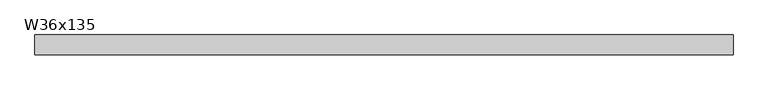
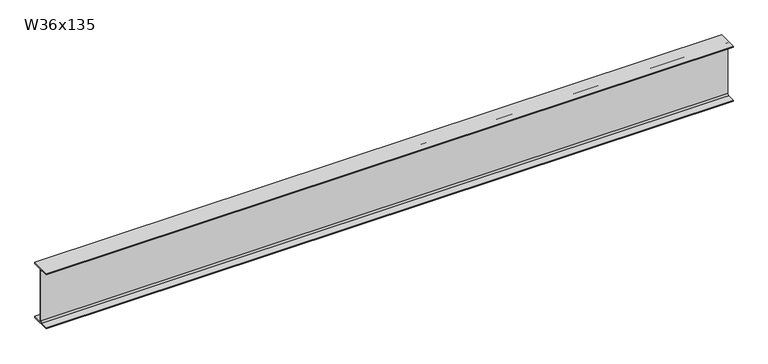
"""IFC4 building model written with IfcOpenShell, lengths in millimetres: beam geometry, W36x135."""

import ifcopenshell
import ifcopenshell.guid

model = None  # the IFC model being written
_history = None  # IfcOwnerHistory: only IFC2X3 demands one
_inside = {}  # id of a spatial element -> (the spatial element, [elements in it])
_under = {}  # id of a project, library or spatial element -> (it, [spatial elements below it])
_declared = {}  # id of a project -> (the project, [libraries it declares])
_typed = {}  # id of a type object -> (the type object, [elements of that type])
_made_of = {}  # id of a material, layer set ... -> (it, [elements and type objects made of it])


def new_model(schema):
    """Start an empty IFC model of exactly this schema.

    Asked for "IFC4X3", IfcOpenShell would pick the latest addendum, in which some entities
    have other attributes; the version numbers below select the first issue.
    IFC2X3 requires an IfcOwnerHistory on every rooted entity: one is made here for all.
    """
    global model, _history
    if schema == "IFC4X3":
        model = ifcopenshell.file(schema_version=(4, 3, 0, 0))
    else:
        model = ifcopenshell.file(schema=schema)
    _inside.clear()
    _under.clear()
    _declared.clear()
    _typed.clear()
    _made_of.clear()
    _history = None
    if model.schema == "IFC2X3":
        org = make("IfcOrganization", Name="unknown")
        user = make(
            "IfcPersonAndOrganization",
            ThePerson=make("IfcPerson", FamilyName="unknown"),
            TheOrganization=org,
        )
        app = make(
            "IfcApplication",
            ApplicationDeveloper=org,
            Version="unknown",
            ApplicationFullName="unknown",
            ApplicationIdentifier="unknown",
        )
        _history = make(
            "IfcOwnerHistory",
            OwningUser=user,
            OwningApplication=app,
            ChangeAction="ADDED",
            CreationDate=0,
        )
    return model


def make(cls, **values):
    """One entity of the class cls with the attributes given. An attribute that is None is left unset."""
    return model.create_entity(
        cls, **{name: value for name, value in values.items() if value is not None}
    )


def rooted(cls, **values):
    """An entity with a GlobalId (a new one), such as an element, a storey or a relation."""
    return make(cls, GlobalId=ifcopenshell.guid.new(), OwnerHistory=_history, **values)


def si_unit(unit_type, name, prefix=None):
    """IfcSIUnit, for example si_unit("LENGTHUNIT", "METRE", prefix="MILLI")."""
    return make("IfcSIUnit", UnitType=unit_type, Prefix=prefix, Name=name)


def assignment(units):
    """IfcUnitAssignment: the units of a project."""
    return None if units is None else make("IfcUnitAssignment", Units=units)


def point(xyz):
    """IfcCartesianPoint."""
    return None if xyz is None else make("IfcCartesianPoint", Coordinates=xyz)


def direction(xyz):
    """IfcDirection."""
    return None if xyz is None else make("IfcDirection", DirectionRatios=xyz)


def frame(location, z_axis=None, x_axis=None):
    """IfcAxis2Placement3D, a coordinate frame: its origin and axes. An axis left out is left unset."""
    return make(
        "IfcAxis2Placement3D",
        Location=point(location),
        Axis=direction(z_axis),
        RefDirection=direction(x_axis),
    )


def frame_2d(location, x_axis=None):
    """IfcAxis2Placement2D, a coordinate frame in the plane: its origin and x axis."""
    return make(
        "IfcAxis2Placement2D", Location=point(location), RefDirection=direction(x_axis)
    )


def origin():
    """The frame at (0, 0, 0) with its axes left unset."""
    return frame((0.0, 0.0, 0.0))


def place(relative_to, where):
    """IfcLocalPlacement: puts the frame where relative to a parent placement (None: the world)."""
    return make(
        "IfcLocalPlacement", PlacementRelTo=relative_to, RelativePlacement=where
    )


def context(
    kind, dimensions, precision=None, world=None, true_north=None, identifier=None
):
    """IfcGeometricRepresentationContext, for example the 3D "Model" context."""
    return make(
        "IfcGeometricRepresentationContext",
        ContextIdentifier=identifier,
        ContextType=kind,
        CoordinateSpaceDimension=dimensions,
        Precision=precision,
        WorldCoordinateSystem=world,
        TrueNorth=true_north,
    )


def project(units=None, contexts=None):
    """IfcProject with its units and contexts."""
    return rooted(
        "IfcProject",
        Name="project",
        RepresentationContexts=contexts,
        UnitsInContext=assignment(units),
    )


def spatial(cls, under=None, at=None, **own):
    """A site, building, storey or space (cls), placed at a placement, below another one or the project."""
    s = rooted(cls, ObjectPlacement=at, **own)
    if under is not None:
        _under.setdefault(under.id(), (under, []))[1].append(s)
    return s


def polyline(points):
    """IfcPolyline through the points."""
    return make("IfcPolyline", Points=[point(p) for p in points])


def circle_curve(where, radius):
    """IfcCircle in the frame where."""
    return make("IfcCircle", Position=where, Radius=radius)


def trimmed(basis, trim1, trim2, sense, master):
    """IfcTrimmedCurve: the piece of a basis curve between two trims."""
    return make(
        "IfcTrimmedCurve",
        BasisCurve=basis,
        Trim1=trim1,
        Trim2=trim2,
        SenseAgreement=sense,
        MasterRepresentation=master,
    )


def segment(curve, same_sense, transition):
    """IfcCompositeCurveSegment."""
    return make(
        "IfcCompositeCurveSegment",
        Transition=transition,
        SameSense=same_sense,
        ParentCurve=curve,
    )


def composite_curve(segments, self_intersect=None):
    """IfcCompositeCurve: segments joined end to end."""
    return make("IfcCompositeCurve", Segments=segments, SelfIntersect=self_intersect)


def outline(outer, holes=None, kind="AREA"):
    """IfcArbitraryClosedProfileDef: a profile drawn as a closed curve; with holes, ...WithVoids."""
    if holes is None:
        return make("IfcArbitraryClosedProfileDef", ProfileType=kind, OuterCurve=outer)
    return make(
        "IfcArbitraryProfileDefWithVoids",
        ProfileType=kind,
        OuterCurve=outer,
        InnerCurves=holes,
    )


def extrude(swept, where, along, depth):
    """IfcExtrudedAreaSolid: the profile swept, set in the frame where, extruded along a direction by depth."""
    return make(
        "IfcExtrudedAreaSolid",
        SweptArea=swept,
        Position=where,
        ExtrudedDirection=direction(along),
        Depth=depth,
    )


def shape(context_of_items, identifier, shape_type, items):
    """IfcShapeRepresentation: the items that make up one representation, for example the "Body"."""
    return make(
        "IfcShapeRepresentation",
        ContextOfItems=context_of_items,
        RepresentationIdentifier=identifier,
        RepresentationType=shape_type,
        Items=items,
    )


def source(mapping_origin, context_of_items, identifier, shape_type, items):
    """IfcRepresentationMap: a shape defined once, which mapped items show again and again."""
    return make(
        "IfcRepresentationMap",
        MappingOrigin=mapping_origin,
        MappedRepresentation=shape(context_of_items, identifier, shape_type, items),
    )


def transform(
    local_origin,
    x_axis=None,
    y_axis=None,
    z_axis=None,
    scale=None,
    scale2=None,
    scale3=None,
    uniform=True,
):
    """IfcCartesianTransformationOperator3D, or its non-uniform kind. x_axis, y_axis, z_axis: its Axis1, 2, 3."""
    if uniform:
        return make(
            "IfcCartesianTransformationOperator3D",
            Axis1=direction(x_axis),
            Axis2=direction(y_axis),
            LocalOrigin=point(local_origin),
            Scale=scale,
            Axis3=direction(z_axis),
        )
    return make(
        "IfcCartesianTransformationOperator3DnonUniform",
        Axis1=direction(x_axis),
        Axis2=direction(y_axis),
        LocalOrigin=point(local_origin),
        Scale=scale,
        Axis3=direction(z_axis),
        Scale2=scale2,
        Scale3=scale3,
    )


def mapped(mapping_source, mapping_target):
    """IfcMappedItem: shows the shape of a source again, moved by a transform."""
    return make(
        "IfcMappedItem", MappingSource=mapping_source, MappingTarget=mapping_target
    )


def made_of(thing, what):
    """Note that an element or type object is made of a material, layer set ...; save() writes the relation."""
    if what is not None:
        _made_of.setdefault(what.id(), (what, []))[1].append(thing)
    return thing


def element(
    cls,
    number,
    at=None,
    inside=None,
    cuts=None,
    type_object=None,
    material=None,
    context=None,
    identifier="Body",
    shape_type=None,
    held_by="IfcProductDefinitionShape",
    body=None,
    shapes=None,
    **own,
):
    """One element of the class cls, such as IfcWall. Its Tag is "e" and its number.

    at: its placement. inside: the storey or other place that contains it. cuts: it is an
    opening in that element (IfcRelVoidsElement). A single representation is given by context,
    identifier, shape_type and body (its items); several are given by shapes. held_by: the class
    of the entity that holds the representations. save() writes the other relations.
    """
    e = rooted(cls, Tag="e%d" % number, ObjectPlacement=at, **own)
    if body is not None:
        shapes = [shape(context, identifier, shape_type, body)]
    if shapes is not None:
        e.Representation = make(held_by, Representations=shapes)
    if inside is not None:
        _inside.setdefault(inside.id(), (inside, []))[1].append(e)
    if cuts is not None:
        rooted(
            "IfcRelVoidsElement", RelatingBuildingElement=cuts, RelatedOpeningElement=e
        )
    if type_object is not None:
        _typed.setdefault(type_object.id(), (type_object, []))[1].append(e)
    return made_of(e, material)


def aggregate(whole, parts):
    """IfcRelAggregates: a whole, such as a stair, and the parts it consists of."""
    return rooted("IfcRelAggregates", RelatingObject=whole, RelatedObjects=parts)


def save(model, path):
    """Write the relations noted so far, then the file.

    IfcRelAggregates (storeys below a building ...), IfcRelContainedInSpatialStructure (elements
    in a storey), IfcRelDefinesByType, IfcRelAssociatesMaterial and IfcRelDeclares: one each for
    every whole, place, type object, material and project.
    """
    for whole, parts in _under.values():
        aggregate(whole, parts)
    for where, things in _inside.values():
        rooted(
            "IfcRelContainedInSpatialStructure",
            RelatedElements=things,
            RelatingStructure=where,
        )
    for kind, things in _typed.values():
        rooted("IfcRelDefinesByType", RelatedObjects=things, RelatingType=kind)
    for what, things in _made_of.values():
        rooted("IfcRelAssociatesMaterial", RelatedObjects=things, RelatingMaterial=what)
    for by, libraries in _declared.values():
        rooted("IfcRelDeclares", RelatingContext=by, RelatedDefinitions=libraries)
    model.write(path)


def w36x135_74bdf53d(model_context):
    return source(origin(), model_context, "Body", "SweptSolid", [
        extrude(outline(composite_curve([segment(polyline([(152.4, -432.054), (152.4, -452.12), (-152.4, -452.12), (-152.4, -432.054), (-30.4165, -432.054)]), True, "CONTINUOUS"), segment(trimmed(circle_curve(frame_2d((-30.4165, -409.2575)), 22.7965), [point((-30.4165, -432.054))], [point((-7.62, -409.2575))], True, "CARTESIAN"), True, "CONTINUOUS"), segment(polyline([(-7.62, -409.2575), (-7.62, 409.2575)]), True, "CONTINUOUS"), segment(trimmed(circle_curve(frame_2d((-30.4165, 409.2575)), 22.7965), [point((-7.62, 409.2575))], [point((-30.4165, 432.054))], True, "CARTESIAN"), True, "CONTINUOUS"), segment(polyline([(-30.4165, 432.054), (-152.4, 432.054), (-152.4, 452.12), (152.4, 452.12), (152.4, 432.054), (30.4165, 432.054)]), True, "CONTINUOUS"), segment(trimmed(circle_curve(frame_2d((30.4165, 409.2575)), 22.7965), [point((30.4165, 432.054))], [point((7.62, 409.2575))], True, "CARTESIAN"), True, "CONTINUOUS"), segment(polyline([(7.62, 409.2575), (7.62, -409.2575)]), True, "CONTINUOUS"), segment(trimmed(circle_curve(frame_2d((30.4165, -409.2575)), 22.7965), [point((7.62, -409.2575))], [point((30.4165, -432.054))], True, "CARTESIAN"), True, "CONTINUOUS"), segment(polyline([(30.4165, -432.054), (152.4, -432.054)]), True, "CONTINUOUS")], self_intersect=False)), frame((-5320.0206977, 0.0, 0.0), z_axis=(1.0, 0.0, 0.0), x_axis=(0.0, 1.0, 0.0)), (0.0, 0.0, 1.0), 10640.0413955),
    ])


if __name__ == "__main__":
    model = new_model("IFC4")
    model_context = context("Model", 3, world=origin())
    ifc_project = project(units=[si_unit("LENGTHUNIT", "METRE", prefix="MILLI")], contexts=[model_context])
    site = spatial("IfcSite", under=ifc_project)
    building = spatial("IfcBuilding", under=site)
    placement = place(None, origin())
    w36x135_shape = w36x135_74bdf53d(model_context)
    element("IfcBeam", 1, ObjectType="W36x135", at=placement, inside=building, context=model_context, shape_type="MappedRepresentation", body=[
        mapped(w36x135_shape, transform((0.0, 0.0, 0.0), x_axis=(1.0, 0.0, 0.0), y_axis=(0.0, 1.0, 0.0), z_axis=(0.0, 0.0, 1.0))),
    ])
    save(model, "model.ifc")
